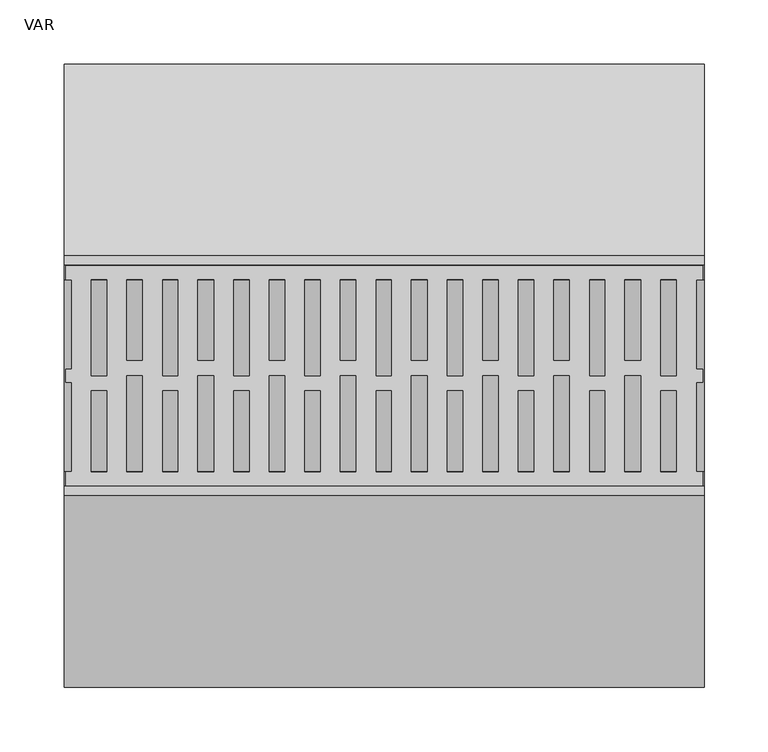
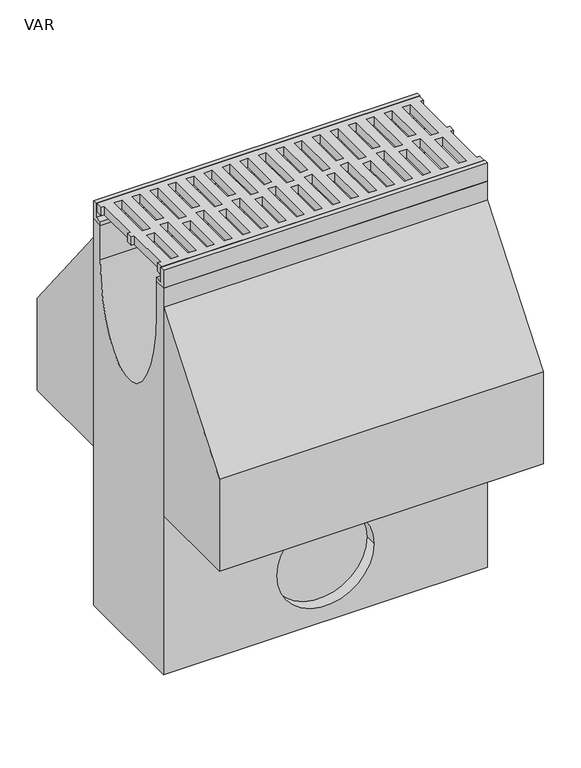
"""IFC4 building model written with IfcOpenShell, lengths in millimetres: flow terminal geometry, VAR."""

from ifc_helpers import new_model, si_unit, point, frame, origin, place, context, project, spatial, polyline, circle_curve, ellipse_curve, trimmed, outline, extrude, source, transform, mapped, element, save
from ifc_brep_helpers import plane_surface, revolved_surface, extruded_surface, advanced_brep


def var_6d9d6201(model_context):
    return source(origin(), model_context, "Body", "SolidModel", [
        extrude(outline(polyline([(499.0, 75.0), (493.7871589, 75.0), (493.7871589, 5.0), (499.0, 5.0), (499.0, -5.0), (493.9604202, -5.0), (493.9604202, -75.0), (499.0, -75.0), (499.0, -86.0), (1.5, -86.0), (1.5, -75.0), (6.0847381, -75.0), (6.0847381, -5.0), (1.5, -5.0), (1.5, 5.0), (6.0847381, 5.0), (6.0847381, 75.0), (1.5, 75.0), (1.5, 86.0), (499.0, 86.0), (499.0, 75.0)]), holes=[polyline([(478.2, 75.0), (466.2429028, 75.0), (466.2429028, 0.0), (478.2, 0.0), (478.2, 75.0)]), polyline([(450.4, 75.0), (438.2305238, 75.0), (438.2305238, 11.948473), (450.4, 11.948473), (450.4, 75.0)]), polyline([(422.6, 75.0), (410.6429028, 75.0), (410.6429028, 0.0), (422.6, 0.0), (422.6, 75.0)]), polyline([(394.8, 75.0), (382.6305238, 75.0), (382.6305238, 11.948473), (394.8, 11.948473), (394.8, 75.0)]), polyline([(367.0, 75.0), (355.0429028, 75.0), (355.0429028, 0.0), (367.0, 0.0), (367.0, 75.0)]), polyline([(339.2, 75.0), (327.0305238, 75.0), (327.0305238, 11.948473), (339.2, 11.948473), (339.2, 75.0)]), polyline([(311.4, 75.0), (299.4429028, 75.0), (299.4429028, 0.0), (311.4, 0.0), (311.4, 75.0)]), polyline([(283.6, 75.0), (271.4305238, 75.0), (271.4305238, 11.948473), (283.6, 11.948473), (283.6, 75.0)]), polyline([(255.8, 75.0), (243.8429028, 75.0), (243.8429028, 0.0), (255.8, 0.0), (255.8, 75.0)]), polyline([(228.0, 75.0), (215.8305238, 75.0), (215.8305238, 11.948473), (228.0, 11.948473), (228.0, 75.0)]), polyline([(200.2, 75.0), (188.2429028, 75.0), (188.2429028, 0.0), (200.2, 0.0), (200.2, 75.0)]), polyline([(172.4, 75.0), (160.2305238, 75.0), (160.2305238, 11.948473), (172.4, 11.948473), (172.4, 75.0)]), polyline([(144.6, 75.0), (132.6429028, 75.0), (132.6429028, 0.0), (144.6, 0.0), (144.6, 75.0)]), polyline([(116.8, 75.0), (104.6305238, 75.0), (104.6305238, 11.948473), (116.8, 11.948473), (116.8, 75.0)]), polyline([(89.0, 75.0), (77.0429028, 75.0), (77.0429028, 0.0), (89.0, 0.0), (89.0, 75.0)]), polyline([(61.2, 75.0), (49.0305238, 75.0), (49.0305238, 11.948473), (61.2, 11.948473), (61.2, 75.0)]), polyline([(33.4, 75.0), (21.4429028, 75.0), (21.4429028, 0.0), (33.4, 0.0), (33.4, 75.0)]), polyline([(49.0305238, -75.0), (61.2, -75.0), (61.2, 0.0), (49.0305238, 0.0), (49.0305238, -75.0)]), polyline([(104.6305238, -75.0), (116.8, -75.0), (116.8, 0.0), (104.6305238, 0.0), (104.6305238, -75.0)]), polyline([(160.2305238, -75.0), (172.4, -75.0), (172.4, 0.0), (160.2305238, 0.0), (160.2305238, -75.0)]), polyline([(215.8305238, -75.0), (228.0, -75.0), (228.0, 0.0), (215.8305238, 0.0), (215.8305238, -75.0)]), polyline([(271.4305238, -75.0), (283.6, -75.0), (283.6, 0.0), (271.4305238, 0.0), (271.4305238, -75.0)]), polyline([(327.0305238, -75.0), (339.2, -75.0), (339.2, 0.0), (327.0305238, 0.0), (327.0305238, -75.0)]), polyline([(382.6305238, -75.0), (394.8, -75.0), (394.8, 0.0), (382.6305238, 0.0), (382.6305238, -75.0)]), polyline([(438.2305238, -75.0), (450.4, -75.0), (450.4, 0.0), (438.2305238, 0.0), (438.2305238, -75.0)]), polyline([(478.2, -75.0), (478.2, -11.948473), (466.2, -11.948473), (466.2, -75.0), (478.2, -75.0)]), polyline([(422.6, -75.0), (422.6, -11.948473), (410.6, -11.948473), (410.6, -75.0), (422.6, -75.0)]), polyline([(367.0, -75.0), (367.0, -11.948473), (355.0, -11.948473), (355.0, -75.0), (367.0, -75.0)]), polyline([(311.4, -75.0), (311.4, -11.948473), (299.4, -11.948473), (299.4, -75.0), (311.4, -75.0)]), polyline([(255.8, -75.0), (255.8, -11.948473), (243.8, -11.948473), (243.8, -75.0), (255.8, -75.0)]), polyline([(200.2, -75.0), (200.2, -11.948473), (188.2, -11.948473), (188.2, -75.0), (200.2, -75.0)]), polyline([(144.6, -75.0), (144.6, -11.948473), (132.6, -11.948473), (132.6, -75.0), (144.6, -75.0)]), polyline([(89.0, -75.0), (89.0, -11.948473), (77.0, -11.948473), (77.0, -75.0), (89.0, -75.0)]), polyline([(33.4, -75.0), (33.4, -11.948473), (21.4, -11.948473), (21.4, -75.0), (33.4, -75.0)])]), frame((0.0, 0.0, -14.0), z_axis=(0.0, 0.0, 1.0), x_axis=(1.0, 0.0, 0.0)), (0.0, 0.0, 1.0), 14.0),
        advanced_brep(
        [(0.0, 75.0, -30.0), (0.0, 93.5, -30.0), (0.0, 93.5, -660.0), (0.0, -93.5, -660.0), (0.0, -93.5, -30.0), (0.0, -75.0, -30.0), (0.0, -75.0, -85.0), (0.0, 75.0, -85.0), (500.0, 75.0, -30.0), (500.0, 75.0, -85.0), (500.0, -75.0, -85.0), (500.0, -75.0, -30.0), (500.0, -93.5, -30.0), (500.0, -93.5, -660.0), (500.0, 93.5, -660.0), (500.0, 93.5, -30.0), (175.0, -93.5, -560.0), (325.0, -93.5, -560.0), (325.0, -75.0, -560.0), (175.0, -75.0, -560.0)],
        [
            (0, 1),
            (1, 2),
            (2, 3),
            (3, 4),
            (4, 5),
            (5, 6),
            (6, 7, ellipse_curve(frame((0.0, 0.0, -85.0), z_axis=(1.0, 0.0, 0.0), x_axis=(0.0, 1.0, 0.0)), 75.0, 150.0)),
            (7, 0),
            (8, 9),
            (9, 10, ellipse_curve(frame((500.0, 0.0, -85.0), z_axis=(-1.0, 0.0, 0.0), x_axis=(0.0, 1.0, 0.0)), 75.0, 150.0)),
            (10, 11),
            (11, 12),
            (12, 13),
            (13, 14),
            (14, 15),
            (15, 8),
            (7, 9),
            (8, 0),
            (6, 10),
            (5, 11),
            (4, 12),
            (3, 13),
            (16, 17, circle_curve(frame((250.0, -93.5, -560.0), z_axis=(0.0, 1.0, 0.0), x_axis=(-1.0, 0.0, 0.0)), 75.0)),
            (17, 16, circle_curve(frame((250.0, -93.5, -560.0), z_axis=(0.0, 1.0, 0.0), x_axis=(-1.0, 0.0, 0.0)), 75.0)),
            (2, 14),
            (1, 15),
            (18, 19, circle_curve(frame((250.0, -75.0, -560.0), z_axis=(0.0, -1.0, 0.0), x_axis=(-1.0, 0.0, 0.0)), 75.0)),
            (19, 18, circle_curve(frame((250.0, -75.0, -560.0), z_axis=(0.0, -1.0, 0.0), x_axis=(-1.0, 0.0, 0.0)), 75.0)),
            (19, 16),
            (17, 18),
        ],
        [
            plane_surface(frame((0.0, 0.0, -201.25), z_axis=(-1.0, 0.0, 0.0), x_axis=(0.0, 0.0, -1.0))),
            plane_surface(frame((500.0, 0.0, -201.25), z_axis=(1.0, 0.0, 0.0), x_axis=(0.0, 0.0, -1.0))),
            plane_surface(frame((500.0, 75.0, -57.5), z_axis=(0.0, -1.0, 0.0), x_axis=(0.0, 0.0, -1.0))),
            extruded_surface(trimmed(ellipse_curve(frame((0.0, 0.0, -85.0), z_axis=(-1.0, 0.0, 0.0), x_axis=(0.0, 1.0, 0.0)), 75.0, 150.0), [point((0.0, 75.0, -85.0))], [point((0.0, -75.0, -85.0))], True, "CARTESIAN"), (500.0, 0.0, 0.0), 500.0),
            plane_surface(frame((500.0, -75.0, -57.5), z_axis=(0.0, 1.0, 0.0), x_axis=(0.0, 0.0, 1.0))),
            plane_surface(frame((500.0, -84.25, -30.0), z_axis=(0.0, 0.0, 1.0), x_axis=(0.0, -1.0, 0.0))),
            plane_surface(frame((500.0, -93.5, -345.0), z_axis=(0.0, -1.0, 0.0), x_axis=(0.0, 0.0, -1.0))),
            plane_surface(frame((500.0, 0.0, -660.0), z_axis=(0.0, 0.0, -1.0), x_axis=(0.0, 1.0, 0.0))),
            plane_surface(frame((500.0, 93.5, -345.0), z_axis=(0.0, 1.0, 0.0), x_axis=(0.0, 0.0, 1.0))),
            plane_surface(frame((500.0, 84.25, -30.0), z_axis=(0.0, 0.0, 1.0), x_axis=(0.0, -1.0, 0.0))),
            plane_surface(frame((175.0, -75.0, -560.0), z_axis=(0.0, -1.0, 0.0), x_axis=(0.0, 0.0, -1.0))),
            revolved_surface(polyline([(175.0, -93.5, -560.0), (175.0, -75.0, -560.0)]), (250.0, -75.0, -560.0), (0.0, -1.0, 0.0)),
        ],
        [
            (0, [[1, 2, 3, 4, 5, 6, 7, 8]]),
            (1, [[9, 10, 11, 12, 13, 14, 15, 16]]),
            (2, [[17, -9, 18, -8]]),
            (3, [[19, -10, -17, -7]]),
            (4, [[20, -11, -19, -6]]),
            (5, [[21, -12, -20, -5]]),
            (6, [[22, -13, -21, -4], [23, 24]]),
            (7, [[25, -14, -22, -3]]),
            (8, [[26, -15, -25, -2]]),
            (9, [[-18, -16, -26, -1]]),
            (10, [[27, 28]]),
            (11, [[29, -24, 30, -28]]),
            (11, [[-30, -23, -29, -27]]),
        ],
    ),
        extrude(outline(polyline([(86.5, 0.0), (93.5, 0.0), (93.5, -30.0), (75.0, -30.0), (75.0, -23.0), (86.5, -23.0), (86.5, 0.0)])), frame((0.0, 0.0, 0.0), z_axis=(1.0, 0.0, 0.0), x_axis=(0.0, 1.0, 0.0)), (0.0, 0.0, 1.0), 500.0),
        extrude(outline(polyline([(-86.5, 0.0), (-86.5, -23.0), (-75.0, -23.0), (-75.0, -30.0), (-93.5, -30.0), (-93.5, 0.0), (-86.5, 0.0)])), frame((0.0, 0.0, 0.0), z_axis=(1.0, 0.0, 0.0), x_axis=(0.0, 1.0, 0.0)), (0.0, 0.0, 1.0), 500.0),
        extrude(outline(polyline([(93.5, -250.0), (93.5, -60.0), (243.5, -250.0), (243.5, -400.0), (-243.5, -400.0), (-243.5, -250.0), (-93.5, -60.0), (-93.5, -250.0), (93.5, -250.0)])), frame((0.0, 0.0, 0.0), z_axis=(1.0, 0.0, 0.0), x_axis=(0.0, 1.0, 0.0)), (0.0, 0.0, 1.0), 500.0),
    ])


if __name__ == "__main__":
    model = new_model("IFC4")
    model_context = context("Model", 3, world=origin())
    ifc_project = project(units=[si_unit("LENGTHUNIT", "METRE", prefix="MILLI")], contexts=[model_context])
    site = spatial("IfcSite", under=ifc_project)
    building = spatial("IfcBuilding", under=site)
    placement = place(None, origin())
    var_shape = var_6d9d6201(model_context)
    element("IfcFlowTerminal", 1, ObjectType="VAR", at=placement, inside=building, context=model_context, shape_type="MappedRepresentation", body=[
        mapped(var_shape, transform((0.0, 0.0, 0.0), x_axis=(1.0, 0.0, 0.0), y_axis=(0.0, 1.0, 0.0), z_axis=(0.0, 0.0, 1.0))),
    ])
    save(model, "model.ifc")
